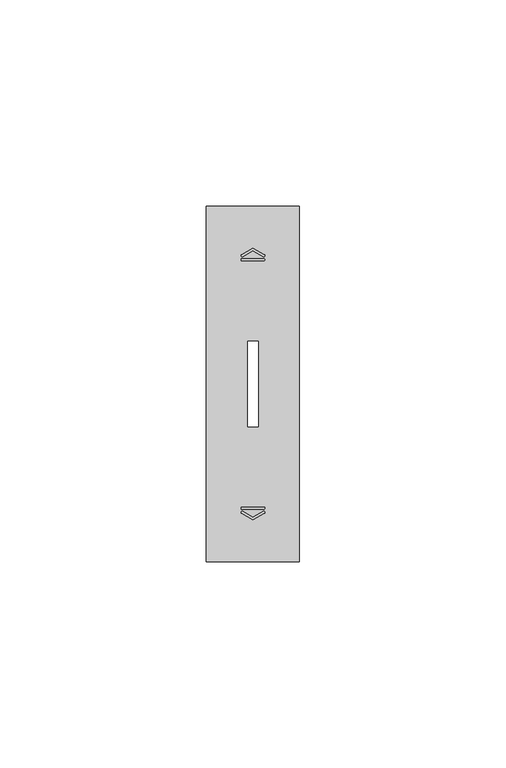
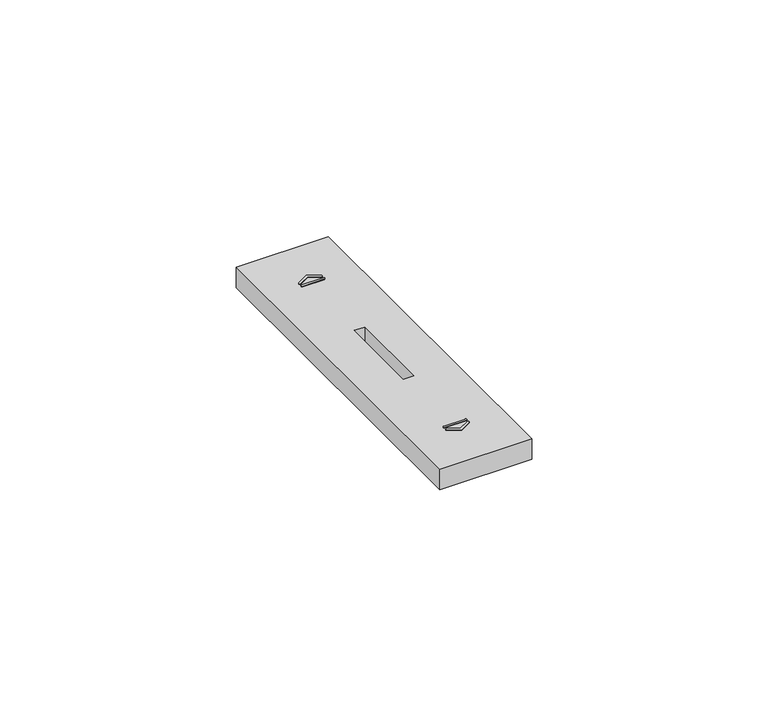
"""IFC4 building model written with IfcOpenShell, lengths in millimetres: proxy geometry."""

from ifc_helpers import new_model, si_unit, point, frame, frame_2d, origin, place, context, project, spatial, polyline, circle_curve, trimmed, segment, composite_curve, outline, extrude, source, transform, mapped, element, save


def electrical_fixtures_60a28fbd(model_context):
    return source(origin(), model_context, "Body", "SweptSolid", [
        extrude(outline(composite_curve([segment(polyline([(8.5092079, 74.3175033), (11.25, 75.8674578), (13.9907962, 74.3175011)]), True, "CONTINUOUS"), segment(trimmed(circle_curve(frame_2d((13.858088, 74.0828325)), 0.2695938), [point((13.9907962, 74.3175011))], [point((13.7253797, 73.8481639))], False, "CARTESIAN"), True, "CONTINUOUS"), segment(polyline([(13.7253797, 73.8481639), (11.25, 75.2480241), (8.7746243, 73.8481662)]), True, "CONTINUOUS"), segment(trimmed(circle_curve(frame_2d((8.6419161, 74.0828348)), 0.2695938), [point((8.7746243, 73.8481662))], [point((8.5092079, 74.3175033))], False, "CARTESIAN"), True, "CONTINUOUS")], self_intersect=False)), frame((0.0, 0.0, 10.7), z_axis=(0.0, 0.0, 1.0), x_axis=(1.0, 0.0, 0.0)), (0.0, 0.0, 1.0), 0.1652311),
        extrude(outline(composite_curve([segment(polyline([(8.6216743, 73.3261218), (13.8783298, 73.3261218)]), True, "CONTINUOUS"), segment(trimmed(circle_curve(frame_2d((13.8783298, 73.0767698)), 0.249352), [point((13.8783298, 73.3261218))], [point((13.8783298, 72.8274179))], False, "CARTESIAN"), True, "CONTINUOUS"), segment(polyline([(13.8783298, 72.8274179), (8.6216743, 72.8274179)]), True, "CONTINUOUS"), segment(trimmed(circle_curve(frame_2d((8.6216743, 73.0767698)), 0.249352), [point((8.6216743, 72.8274179))], [point((8.6216743, 73.3261218))], False, "CARTESIAN"), True, "CONTINUOUS")], self_intersect=False)), frame((0.0, 0.0, 10.7), z_axis=(0.0, 0.0, 1.0), x_axis=(1.0, 0.0, 0.0)), (0.0, 0.0, 1.0), 0.1652311),
        extrude(outline(composite_curve([segment(trimmed(circle_curve(frame_2d((8.6419161, 11.9171652)), 0.2695938), [point((8.5092079, 11.6824967))], [point((8.7746243, 12.1518338))], False, "CARTESIAN"), True, "CONTINUOUS"), segment(polyline([(8.7746243, 12.1518338), (11.25, 10.7519759), (13.7253797, 12.1518361)]), True, "CONTINUOUS"), segment(trimmed(circle_curve(frame_2d((13.858088, 11.9171675)), 0.2695938), [point((13.7253797, 12.1518361))], [point((13.9907962, 11.6824989))], False, "CARTESIAN"), True, "CONTINUOUS"), segment(polyline([(13.9907962, 11.6824989), (11.25, 10.1325422), (8.5092079, 11.6824967)]), True, "CONTINUOUS")], self_intersect=False)), frame((0.0, 0.0, 10.7), z_axis=(0.0, 0.0, 1.0), x_axis=(1.0, 0.0, 0.0)), (0.0, 0.0, 1.0), 0.1652311),
        extrude(outline(composite_curve([segment(trimmed(circle_curve(frame_2d((8.6216743, 12.9232302)), 0.249352), [point((8.6216743, 12.6738782))], [point((8.6216743, 13.1725821))], False, "CARTESIAN"), True, "CONTINUOUS"), segment(polyline([(8.6216743, 13.1725821), (13.8783298, 13.1725821)]), True, "CONTINUOUS"), segment(trimmed(circle_curve(frame_2d((13.8783298, 12.9232302)), 0.249352), [point((13.8783298, 13.1725821))], [point((13.8783298, 12.6738782))], False, "CARTESIAN"), True, "CONTINUOUS"), segment(polyline([(13.8783298, 12.6738782), (8.6216743, 12.6738782)]), True, "CONTINUOUS")], self_intersect=False)), frame((0.0, 0.0, 10.7), z_axis=(0.0, 0.0, 1.0), x_axis=(1.0, 0.0, 0.0)), (0.0, 0.0, 1.0), 0.1652311),
        extrude(outline(polyline([(0.0, 0.0), (0.0, 86.0), (22.5, 86.0), (22.5, 0.0), (0.0, 0.0)]), holes=[polyline([(10.0, 53.4), (10.0, 32.6), (12.5, 32.6), (12.5, 53.4), (10.0, 53.4)])]), frame((0.0, 0.0, 5.5), z_axis=(0.0, 0.0, 1.0), x_axis=(1.0, 0.0, 0.0)), (0.0, 0.0, 1.0), 5.2),
    ])


if __name__ == "__main__":
    model = new_model("IFC4")
    model_context = context("Model", 3, world=origin())
    ifc_project = project(units=[si_unit("LENGTHUNIT", "METRE", prefix="MILLI")], contexts=[model_context])
    site = spatial("IfcSite", under=ifc_project)
    building = spatial("IfcBuilding", under=site)
    placement = place(None, origin())
    electrical_fixtures_shape = electrical_fixtures_60a28fbd(model_context)
    element("IfcBuildingElementProxy", 1, Name="Electrical Fixtures", at=placement, inside=building, context=model_context, shape_type="MappedRepresentation", body=[
        mapped(electrical_fixtures_shape, transform((0.0, 0.0, 0.0), x_axis=(1.0, 0.0, 0.0), y_axis=(0.0, 1.0, 0.0), z_axis=(0.0, 0.0, 1.0))),
    ])
    save(model, "model.ifc")
